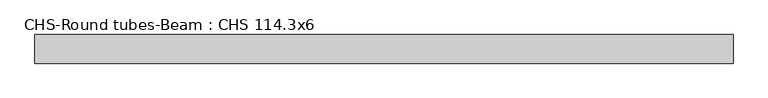
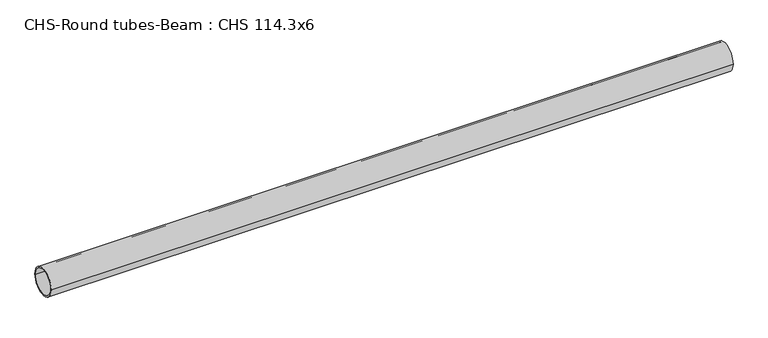
"""IFC4 building model written with IfcOpenShell, lengths in millimetres: beam geometry, CHS-Round tubes-Beam : CHS 114.3x6."""

from ifc_helpers import new_model, si_unit, point, frame, origin, origin_2d, place, context, project, spatial, circle_curve, trimmed, segment, composite_curve, outline, extrude, source, transform, mapped, element, save


def chs_round_tubes_beam_chs_114_3x6_d54ce12a(model_context):
    return source(origin(), model_context, "Body", "SweptSolid", [
        extrude(outline(composite_curve([segment(trimmed(circle_curve(origin_2d(), 57.15), [point((57.15, 0.0))], [point((-57.15, 0.0))], False, "CARTESIAN"), True, "CONTINUOUS"), segment(trimmed(circle_curve(origin_2d(), 57.15), [point((-57.15, 0.0))], [point((57.15, 0.0))], False, "CARTESIAN"), True, "CONTINUOUS")], self_intersect=False), holes=[composite_curve([segment(trimmed(circle_curve(origin_2d(), 51.15), [point((51.15, 0.0))], [point((-51.15, 0.0))], True, "CARTESIAN"), True, "CONTINUOUS"), segment(trimmed(circle_curve(origin_2d(), 51.15), [point((-51.15, 0.0))], [point((51.15, 0.0))], True, "CARTESIAN"), True, "CONTINUOUS")], self_intersect=False)]), frame((-1345.8101458, 0.0, 0.0), z_axis=(1.0, 0.0, 0.0), x_axis=(0.0, 1.0, 0.0)), (0.0, 0.0, 1.0), 2783.5530867),
    ])


if __name__ == "__main__":
    model = new_model("IFC4")
    model_context = context("Model", 3, world=origin())
    ifc_project = project(units=[si_unit("LENGTHUNIT", "METRE", prefix="MILLI")], contexts=[model_context])
    site = spatial("IfcSite", under=ifc_project)
    building = spatial("IfcBuilding", under=site)
    placement = place(None, origin())
    chs_round_tubes_beam_chs_114_3x6_shape = chs_round_tubes_beam_chs_114_3x6_d54ce12a(model_context)
    element("IfcBeam", 1, ObjectType="CHS-Round tubes-Beam : CHS 114.3x6", at=placement, inside=building, context=model_context, shape_type="MappedRepresentation", body=[
        mapped(chs_round_tubes_beam_chs_114_3x6_shape, transform((0.0, 0.0, 0.0), x_axis=(1.0, 0.0, 0.0), y_axis=(0.0, 1.0, 0.0), z_axis=(0.0, 0.0, 1.0))),
    ])
    save(model, "model.ifc")
